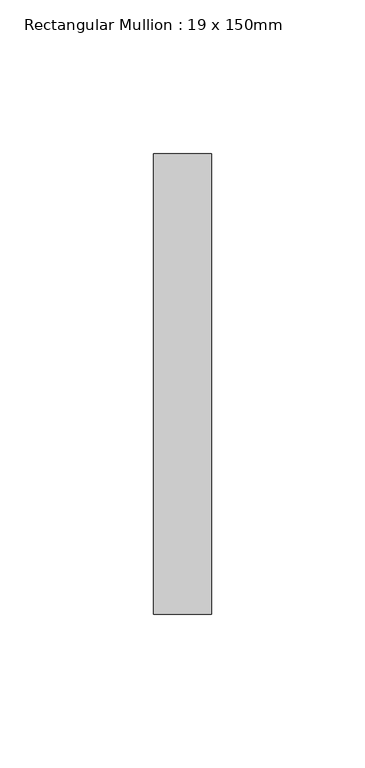
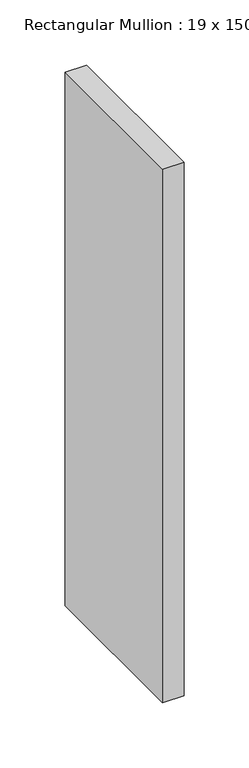
"""IFC4 building model written with IfcOpenShell, lengths in millimetres: member geometry, Rectangular Mullion : 19 x 150mm."""

from ifc_helpers import new_model, si_unit, frame, origin, place, context, project, spatial, polyline, outline, extrude, source, transform, mapped, element, save


def rectangular_mullion_19_x_150mm_bd0f8cec(model_context):
    return source(origin(), model_context, "Body", "SweptSolid", [
        extrude(outline(polyline([(0.0, -25.0), (0.0, -175.0), (-19.0, -175.0), (-19.0, -25.0), (0.0, -25.0)])), frame((0.0, 0.0, -500.0000005), z_axis=(0.0, 0.0, 1.0), x_axis=(1.0, 0.0, 0.0)), (0.0, 0.0, 1.0), 500.0000005),
    ])


if __name__ == "__main__":
    model = new_model("IFC4")
    model_context = context("Model", 3, world=origin())
    ifc_project = project(units=[si_unit("LENGTHUNIT", "METRE", prefix="MILLI")], contexts=[model_context])
    site = spatial("IfcSite", under=ifc_project)
    building = spatial("IfcBuilding", under=site)
    placement = place(None, origin())
    rectangular_mullion_19_x_150mm_shape = rectangular_mullion_19_x_150mm_bd0f8cec(model_context)
    element("IfcMember", 1, ObjectType="Rectangular Mullion : 19 x 150mm", at=placement, inside=building, context=model_context, shape_type="MappedRepresentation", body=[
        mapped(rectangular_mullion_19_x_150mm_shape, transform((0.0, 0.0, 0.0), x_axis=(1.0, 0.0, 0.0), y_axis=(0.0, 1.0, 0.0), z_axis=(0.0, 0.0, 1.0))),
    ])
    save(model, "model.ifc")
